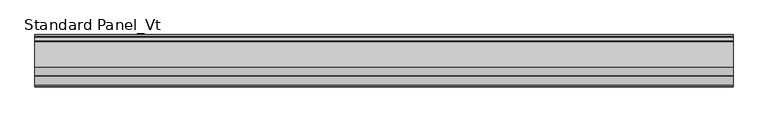
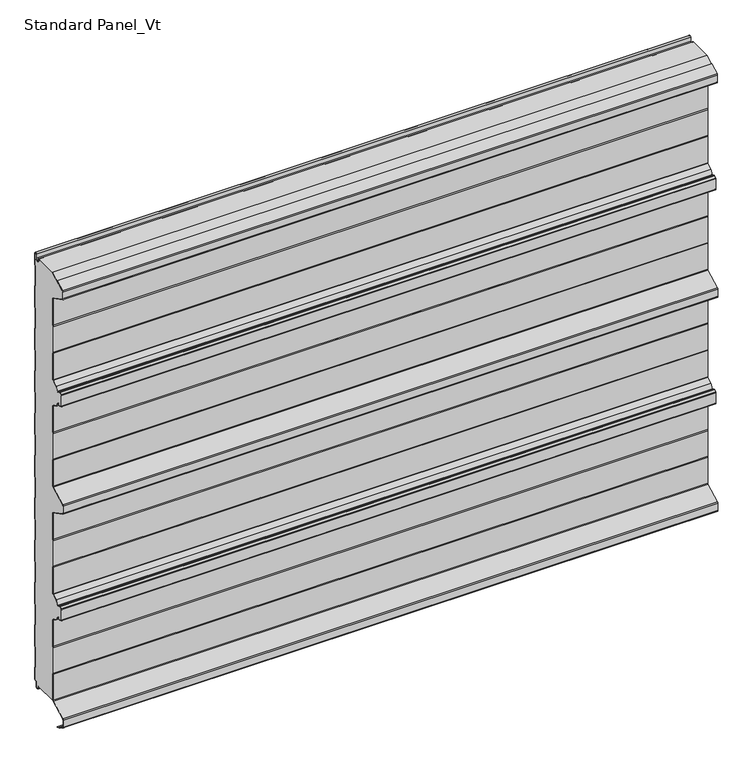
"""IFC4 building model written with IfcOpenShell, lengths in millimetres: proxy geometry, Standard Panel_Vt."""

from ifc_helpers import new_model, si_unit, point, frame, frame_2d, origin, place, context, project, spatial, polyline, circle_curve, trimmed, segment, composite_curve, outline, extrude, source, transform, mapped, element, save


def standard_panel_vt_ad993d2c(model_context):
    return source(origin(), model_context, "Body", "SweptSolid", [
        extrude(outline(composite_curve([segment(polyline([(-69.2, 32.543601), (-69.2, 93.8381725), (-70.1683897, 96.2198058), (-70.1683897, 156.0111465), (-69.2, 158.3927799), (-69.2, 220.5320467)]), True, "CONTINUOUS"), segment(trimmed(circle_curve(frame_2d((-70.9999978, 220.5292608)), 1.8), [point((-69.2, 220.5320467))], [point((-70.1549332, 222.118558))], True, "CARTESIAN"), True, "CONTINUOUS"), segment(polyline([(-70.1549332, 222.118558), (-81.6730163, 228.2429789), (-87.3606338, 237.2263708)]), True, "CONTINUOUS"), segment(trimmed(circle_curve(frame_2d((-88.8814507, 236.2635023)), 1.8), [point((-87.3606338, 237.2263708))], [point((-89.6883253, 237.8725248))], True, "CARTESIAN"), True, "CONTINUOUS"), segment(polyline([(-89.6883253, 237.8725248), (-94.8672514, 235.275455), (-100.4669529, 238.2529407), (-100.4669529, 263.7469089), (-94.8564238, 266.730009), (-89.6882431, 264.1381991)]), True, "CONTINUOUS"), segment(trimmed(circle_curve(frame_2d((-88.8813366, 265.7472056)), 1.8), [point((-89.6882431, 264.1381991))], [point((-87.3605387, 264.7843069))], True, "CARTESIAN"), True, "CONTINUOUS"), segment(polyline([(-87.3605387, 264.7843069), (-81.6832892, 273.7509288), (-70.1548264, 279.880575)]), True, "CONTINUOUS"), segment(trimmed(circle_curve(frame_2d((-70.9997352, 281.4696552)), 1.7997352), [point((-70.1548264, 279.880575))], [point((-69.2, 281.4696552))], True, "CARTESIAN"), True, "CONTINUOUS"), segment(polyline([(-69.2, 281.4696552), (-69.2, 343.6072197), (-70.1683897, 345.9888602), (-70.1683897, 405.780201), (-69.2, 408.1618409), (-69.2, 469.4564123)]), True, "CONTINUOUS"), segment(trimmed(circle_curve(frame_2d((-71.75, 469.4564123)), 2.55), [point((-69.2, 469.4564123))], [point((-70.5528475, 471.7079287))], True, "CARTESIAN"), True, "CONTINUOUS"), segment(polyline([(-70.5528475, 471.7079287), (-106.4808064, 490.8111633)]), True, "CONTINUOUS"), segment(trimmed(circle_curve(frame_2d((-105.5183897, 492.6212058)), 2.05), [point((-106.4808064, 490.8111633))], [point((-107.5683897, 492.6212058))], False, "CARTESIAN"), True, "CONTINUOUS"), segment(polyline([(-107.5683897, 492.6212058), (-107.5683897, 509.3787942)]), True, "CONTINUOUS"), segment(trimmed(circle_curve(frame_2d((-105.5183897, 509.3787942)), 2.05), [point((-107.5683897, 509.3787942))], [point((-106.4808064, 511.1888367))], False, "CARTESIAN"), True, "CONTINUOUS"), segment(polyline([(-106.4808064, 511.1888367), (-70.5528475, 530.2920713)]), True, "CONTINUOUS"), segment(trimmed(circle_curve(frame_2d((-71.75, 532.5435877)), 2.55), [point((-70.5528475, 530.2920713))], [point((-69.2, 532.5435877))], True, "CARTESIAN"), True, "CONTINUOUS"), segment(polyline([(-69.2, 532.5435877), (-69.2, 594.3381591), (-70.1683897, 596.719799), (-70.1683897, 656.5111398), (-69.2, 658.8927797), (-69.2, 720.3455631)]), True, "CONTINUOUS"), segment(trimmed(circle_curve(frame_2d((-70.9904904, 720.5303448)), 1.8), [point((-69.2, 720.3455631))], [point((-70.1454573, 722.1196588))], True, "CARTESIAN"), True, "CONTINUOUS"), segment(polyline([(-70.1454573, 722.1196588), (-81.6734802, 728.2490711), (-87.3507298, 737.2156932)]), True, "CONTINUOUS"), segment(trimmed(circle_curve(frame_2d((-88.8715276, 736.2527945)), 1.8), [point((-87.3507298, 737.2156932))], [point((-89.6784342, 737.861801))], True, "CARTESIAN"), True, "CONTINUOUS"), segment(polyline([(-89.6784342, 737.861801), (-94.8466132, 735.269992), (-100.4573069, 738.2530732), (-100.4573069, 763.7469201), (-94.8574433, 766.7245456), (-89.6785164, 764.1274753)]), True, "CONTINUOUS"), segment(trimmed(circle_curve(frame_2d((-88.8716418, 765.7364978)), 1.8), [point((-89.6785164, 764.1274753))], [point((-87.3508249, 764.7736293))], True, "CARTESIAN"), True, "CONTINUOUS"), segment(polyline([(-87.3508249, 764.7736293), (-81.6632074, 773.7570212), (-70.1451242, 779.8814421)]), True, "CONTINUOUS"), segment(trimmed(circle_curve(frame_2d((-70.9901889, 781.4707393)), 1.8), [point((-70.1451242, 779.8814421))], [point((-69.2, 781.6584189))], True, "CARTESIAN"), True, "CONTINUOUS"), segment(polyline([(-69.2, 781.6584189), (-69.2, 843.5389374), (-70.1683897, 846.5544463), (-70.1683897, 906.3542239), (-69.2, 909.3076807), (-69.2, 970.7065818)]), True, "CONTINUOUS"), segment(trimmed(circle_curve(frame_2d((-71.7198823, 970.7065818)), 2.5198823), [point((-69.2, 970.7065818))], [point((-70.5090325, 972.91648))], True, "CARTESIAN"), True, "CONTINUOUS"), segment(polyline([(-70.5090325, 972.91648), (-105.4813607, 991.4349523)]), True, "CONTINUOUS"), segment(trimmed(circle_curve(frame_2d((-104.5183897, 993.2447)), 2.05), [point((-105.4813607, 991.4349523))], [point((-106.5683897, 993.2447))], False, "CARTESIAN"), True, "CONTINUOUS"), segment(polyline([(-106.5683897, 993.2447), (-106.5683897, 1008.7553)]), True, "CONTINUOUS"), segment(trimmed(circle_curve(frame_2d((-104.5183897, 1008.7553)), 2.05), [point((-106.5683897, 1008.7553))], [point((-105.4808064, 1010.5653426))], False, "CARTESIAN"), True, "CONTINUOUS"), segment(polyline([(-105.4808064, 1010.5653426), (-66.7559646, 1031.1557062), (-15.3551162, 1031.1557063)]), True, "CONTINUOUS"), segment(trimmed(circle_curve(frame_2d((-15.3274964, 1029.5059375)), 1.65), [point((-15.3551162, 1031.1557063))], [point((-16.9611095, 1029.7379036))], True, "CARTESIAN"), True, "CONTINUOUS"), segment(polyline([(-16.9611095, 1029.7379036), (-17.660313, 1024.8137877), (-16.8682582, 1024.7013192), (-16.1690547, 1029.6254352)]), True, "CONTINUOUS"), segment(trimmed(circle_curve(frame_2d((-15.3274964, 1029.5059375)), 0.85), [point((-16.1690547, 1029.6254352))], [point((-14.4904098, 1029.6535385))], False, "CARTESIAN"), True, "CONTINUOUS"), segment(polyline([(-14.4904098, 1029.6535385), (-13.7278368, 1025.3287722)]), True, "CONTINUOUS"), segment(trimmed(circle_curve(frame_2d((-9.05, 1026.153601)), 4.75), [point((-13.7278368, 1025.3287722))], [point((-4.3, 1026.153601))], True, "CARTESIAN"), True, "CONTINUOUS"), segment(polyline([(-4.3, 1026.153601), (-4.3, 1035.653601)]), True, "CONTINUOUS"), segment(trimmed(circle_curve(frame_2d((-2.55, 1035.653601)), 1.75), [point((-4.3, 1035.653601))], [point((-0.8, 1035.653601))], False, "CARTESIAN"), True, "CONTINUOUS"), segment(polyline([(-0.8, 1035.653601), (-0.8, 1008.0956151), (-1.8, 1006.3635643), (-1.8, 959.8989472), (-0.8, 958.1668964), (-0.8, 909.0956151), (-1.8, 907.3635643), (-1.8, 860.8989472), (-0.8, 859.1668964), (-0.8, 810.0956151), (-1.8, 808.3635643), (-1.8, 761.8989472), (-0.8, 760.1668964), (-0.8, 711.0974098), (-1.8, 709.3229083), (-1.8, 662.8989472), (-0.8, 661.1668964), (-0.8, 612.0956151), (-1.8, 610.3635643), (-1.8, 563.8989472), (-0.8, 562.1668964), (-0.8, 513.0956151), (-1.8, 511.3635643), (-1.8, 464.8989472), (-0.8, 463.1668964), (-0.8, 414.0974098), (-1.8, 412.3229083), (-1.8, 365.8989472), (-0.8, 364.1668964), (-0.8, 315.0974098), (-1.8, 313.3229083), (-1.8, 266.8989472), (-0.8, 265.1668964), (-0.8, 216.0956151), (-1.8, 214.3635643), (-1.8, 167.8989472), (-0.786297, 166.1668964), (-0.786297, 117.0974098), (-1.786297, 115.3229083), (-1.786297, 68.8989472), (-0.786297, 67.1668964), (-0.786297, 40.153601)]), True, "CONTINUOUS"), segment(trimmed(circle_curve(frame_2d((-2.036297, 40.153601)), 1.25), [point((-0.786297, 40.153601))], [point((-2.036297, 38.903601))], False, "CARTESIAN"), True, "CONTINUOUS"), segment(polyline([(-2.036297, 38.903601), (-3.436297, 38.903601)]), True, "CONTINUOUS"), segment(trimmed(circle_curve(frame_2d((-3.436297, 36.153601)), 2.75), [point((-3.436297, 38.903601))], [point((-6.186297, 36.153601))], True, "CARTESIAN"), True, "CONTINUOUS"), segment(polyline([(-6.186297, 36.153601), (-6.186297, 26.353601)]), True, "CONTINUOUS"), segment(trimmed(circle_curve(frame_2d((-9.036297, 26.353601)), 2.85), [point((-6.186297, 26.353601))], [point((-11.8132517, 25.7124905))], False, "CARTESIAN"), True, "CONTINUOUS"), segment(polyline([(-11.8132517, 25.7124905), (-13.0699171, 31.1557062), (-69.6107833, 31.1557062)]), True, "CONTINUOUS"), segment(trimmed(circle_curve(frame_2d((-71.75, 32.543601)), 2.55), [point((-69.6107833, 31.1557062))], [point((-69.2, 32.543601))], True, "CARTESIAN"), True, "CONTINUOUS")], self_intersect=False)), frame((-723.9042608, 0.0, 0.0), z_axis=(1.0, 0.0, 0.0), x_axis=(0.0, 1.0, 0.0)), (0.0, 0.0, 1.0), 1447.8085217),
        extrude(outline(composite_curve([segment(polyline([(-70.0, 32.543601), (-70.0, 93.6817477), (-70.9683897, 96.0633811), (-70.9683897, 156.1675713), (-70.0, 158.5492046), (-70.0, 220.5313373)]), True, "CONTINUOUS"), segment(trimmed(circle_curve(frame_2d((-70.9999978, 220.5292608)), 1.0), [point((-70.0, 220.5313373))], [point((-70.5305175, 221.4122037))], True, "CARTESIAN"), True, "CONTINUOUS"), segment(polyline([(-70.5305175, 221.4122037), (-82.2356263, 227.6360703), (-88.0365524, 236.7984293)]), True, "CONTINUOUS"), segment(trimmed(circle_curve(frame_2d((-88.8814507, 236.2635023)), 1.0), [point((-88.0365524, 236.7984293))], [point((-89.3297144, 237.1574037))], True, "CARTESIAN"), True, "CONTINUOUS"), segment(polyline([(-89.3297144, 237.1574037), (-94.4163001, 234.6066397)]), True, "CONTINUOUS"), segment(trimmed(circle_curve(frame_2d((-94.8645637, 235.5005411)), 1.0), [point((-94.4163001, 234.6066397))], [point((-95.3340441, 234.6175982))], False, "CARTESIAN"), True, "CONTINUOUS"), segment(polyline([(-95.3340441, 234.6175982), (-100.4714183, 237.3492543)]), True, "CONTINUOUS"), segment(trimmed(circle_curve(frame_2d((-99.7671978, 238.6736686)), 1.5), [point((-100.4714183, 237.3492543))], [point((-101.2669529, 238.7007726))], False, "CARTESIAN"), True, "CONTINUOUS"), segment(polyline([(-101.2669529, 238.7007726), (-101.2669529, 263.3263018)]), True, "CONTINUOUS"), segment(trimmed(circle_curve(frame_2d((-99.7669529, 263.3263018)), 1.5), [point((-101.2669529, 263.3263018))], [point((-100.4711471, 264.6507302))], False, "CARTESIAN"), True, "CONTINUOUS"), segment(polyline([(-100.4711471, 264.6507302), (-95.3232034, 267.3878751)]), True, "CONTINUOUS"), segment(trimmed(circle_curve(frame_2d((-94.8537406, 266.5049228)), 1.0), [point((-95.3232034, 267.3878751))], [point((-94.4054592, 267.3988153))], False, "CARTESIAN"), True, "CONTINUOUS"), segment(polyline([(-94.4054592, 267.3988153), (-89.329618, 264.8533131)]), True, "CONTINUOUS"), segment(trimmed(circle_curve(frame_2d((-88.8813366, 265.7472056)), 1.0), [point((-89.329618, 264.8533131))], [point((-88.0364489, 265.2122618))], True, "CARTESIAN"), True, "CONTINUOUS"), segment(polyline([(-88.0364489, 265.2122618), (-82.2458871, 274.3578486), (-70.5303966, 280.5869367)]), True, "CONTINUOUS"), segment(trimmed(circle_curve(frame_2d((-70.9997352, 281.4696552)), 0.9997353), [point((-70.5303966, 280.5869367))], [point((-69.9999999, 281.4696552))], True, "CARTESIAN"), True, "CONTINUOUS"), segment(polyline([(-69.9999999, 281.4696552), (-69.9999999, 343.4507954), (-70.9683897, 345.8324358), (-70.9683897, 405.9366254), (-70.0, 408.3182652), (-70.0, 469.4564123)]), True, "CONTINUOUS"), segment(trimmed(circle_curve(frame_2d((-71.75, 469.4564123)), 1.75), [point((-70.0, 469.4564123))], [point((-70.9284248, 471.0015706))], True, "CARTESIAN"), True, "CONTINUOUS"), segment(polyline([(-70.9284248, 471.0015706), (-106.8563836, 490.1048052)]), True, "CONTINUOUS"), segment(trimmed(circle_curve(frame_2d((-105.5183897, 492.6212058)), 2.85), [point((-106.8563836, 490.1048052))], [point((-108.3683897, 492.6212058))], False, "CARTESIAN"), True, "CONTINUOUS"), segment(polyline([(-108.3683897, 492.6212058), (-108.3683897, 509.3787942)]), True, "CONTINUOUS"), segment(trimmed(circle_curve(frame_2d((-105.5183897, 509.3787942)), 2.85), [point((-108.3683897, 509.3787942))], [point((-106.8563836, 511.8951948))], False, "CARTESIAN"), True, "CONTINUOUS"), segment(polyline([(-106.8563836, 511.8951948), (-70.9284248, 530.9984294)]), True, "CONTINUOUS"), segment(trimmed(circle_curve(frame_2d((-71.75, 532.5435877)), 1.75), [point((-70.9284248, 530.9984294))], [point((-70.0, 532.5435877))], True, "CARTESIAN"), True, "CONTINUOUS"), segment(polyline([(-70.0, 532.5435877), (-70.0, 593.6817348), (-70.9683897, 596.0633746), (-70.9683897, 656.1675642), (-70.0, 658.549204), (-70.0, 720.3927626)]), True, "CONTINUOUS"), segment(trimmed(circle_curve(frame_2d((-70.9904904, 720.5303448)), 1.0), [point((-70.0, 720.3927626))], [point((-70.5210275, 721.413297))], True, "CARTESIAN"), True, "CONTINUOUS"), segment(polyline([(-70.5210275, 721.413297), (-82.2360781, 727.6421513), (-88.0266399, 736.7877383)]), True, "CONTINUOUS"), segment(trimmed(circle_curve(frame_2d((-88.8715276, 736.2527945)), 1.0), [point((-88.0266399, 736.7877383))], [point((-89.319809, 737.146687))], True, "CARTESIAN"), True, "CONTINUOUS"), segment(polyline([(-89.319809, 737.146687), (-94.3956503, 734.6011848)]), True, "CONTINUOUS"), segment(trimmed(circle_curve(frame_2d((-94.8439317, 735.4950773)), 1.0), [point((-94.3956503, 734.6011848))], [point((-95.3133815, 734.6121181))], False, "CARTESIAN"), True, "CONTINUOUS"), segment(polyline([(-95.3133815, 734.6121181), (-100.4614397, 737.3492264)]), True, "CONTINUOUS"), segment(trimmed(circle_curve(frame_2d((-99.7572281, 738.6737347)), 1.5000788), [point((-100.4614397, 737.3492264))], [point((-101.2573069, 738.6737347))], False, "CARTESIAN"), True, "CONTINUOUS"), segment(polyline([(-101.2573069, 738.6737347), (-101.2573069, 763.3263498)]), True, "CONTINUOUS"), segment(trimmed(circle_curve(frame_2d((-99.7573465, 763.3263498)), 1.4999604), [point((-101.2573069, 763.3263498))], [point((-100.4615583, 764.6507239))], False, "CARTESIAN"), True, "CONTINUOUS"), segment(polyline([(-100.4615583, 764.6507239), (-95.3242418, 767.3823984)]), True, "CONTINUOUS"), segment(trimmed(circle_curve(frame_2d((-94.8547548, 766.499459)), 1.0), [point((-95.3242418, 767.3823984))], [point((-94.4064911, 767.3933604))], False, "CARTESIAN"), True, "CONTINUOUS"), segment(polyline([(-94.4064911, 767.3933604), (-89.3199055, 764.8425964)]), True, "CONTINUOUS"), segment(trimmed(circle_curve(frame_2d((-88.8716418, 765.7364978)), 1.0), [point((-89.3199055, 764.8425964))], [point((-88.0267435, 765.2015709))], True, "CARTESIAN"), True, "CONTINUOUS"), segment(polyline([(-88.0267435, 765.2015709), (-82.2258174, 774.3639298), (-70.5207085, 780.5877964)]), True, "CONTINUOUS"), segment(trimmed(circle_curve(frame_2d((-70.9901889, 781.4707393)), 1.0), [point((-70.5207085, 780.5877964))], [point((-70.0, 781.6104744))], True, "CARTESIAN"), True, "CONTINUOUS"), segment(polyline([(-70.0, 781.6104744), (-70.0, 843.3152015), (-70.9683897, 846.3307104), (-70.9683897, 906.4820299), (-70.0, 909.4354867), (-70.0, 970.7065818)]), True, "CONTINUOUS"), segment(trimmed(circle_curve(frame_2d((-71.7198823, 970.7065818)), 1.7198823), [point((-70.0, 970.7065818))], [point((-70.8889236, 972.2124048))], True, "CARTESIAN"), True, "CONTINUOUS"), segment(polyline([(-70.8889236, 972.2124048), (-105.8563836, 990.7282994)]), True, "CONTINUOUS"), segment(trimmed(circle_curve(frame_2d((-104.5183897, 993.2447)), 2.85), [point((-105.8563836, 990.7282994))], [point((-107.3683897, 993.2447))], False, "CARTESIAN"), True, "CONTINUOUS"), segment(polyline([(-107.3683897, 993.2447), (-107.3683897, 1008.7553)]), True, "CONTINUOUS"), segment(trimmed(circle_curve(frame_2d((-104.5183897, 1008.7553)), 2.85), [point((-107.3683897, 1008.7553))], [point((-105.8563836, 1011.2717006))], False, "CARTESIAN"), True, "CONTINUOUS"), segment(polyline([(-105.8563836, 1011.2717006), (-85.2289619, 1022.2394953), (-84.8533847, 1021.5331372), (-105.4808064, 1010.5653426)]), True, "CONTINUOUS"), segment(trimmed(circle_curve(frame_2d((-104.5183897, 1008.7553)), 2.05), [point((-105.4808064, 1010.5653426))], [point((-106.5683897, 1008.7553))], True, "CARTESIAN"), True, "CONTINUOUS"), segment(polyline([(-106.5683897, 1008.7553), (-106.5683897, 993.2447)]), True, "CONTINUOUS"), segment(trimmed(circle_curve(frame_2d((-104.5183897, 993.2447)), 2.05), [point((-106.5683897, 993.2447))], [point((-105.4813607, 991.4349523))], True, "CARTESIAN"), True, "CONTINUOUS"), segment(polyline([(-105.4813607, 991.4349523), (-70.5090325, 972.91648)]), True, "CONTINUOUS"), segment(trimmed(circle_curve(frame_2d((-71.7198823, 970.7065818)), 2.5198823), [point((-70.5090325, 972.91648))], [point((-69.2, 970.7065818))], False, "CARTESIAN"), True, "CONTINUOUS"), segment(polyline([(-69.2, 970.7065818), (-69.2, 909.3076807), (-70.1683897, 906.3542239), (-70.1683897, 846.4560136), (-69.2, 843.4405047), (-69.2, 781.6584189)]), True, "CONTINUOUS"), segment(trimmed(circle_curve(frame_2d((-70.9901889, 781.4707393)), 1.8), [point((-69.2, 781.6584189))], [point((-70.1451242, 779.8814421))], False, "CARTESIAN"), True, "CONTINUOUS"), segment(polyline([(-70.1451242, 779.8814421), (-81.6632074, 773.7570212), (-87.3508249, 764.7736293)]), True, "CONTINUOUS"), segment(trimmed(circle_curve(frame_2d((-88.8716418, 765.7364978)), 1.8), [point((-87.3508249, 764.7736293))], [point((-89.6785164, 764.1274753))], False, "CARTESIAN"), True, "CONTINUOUS"), segment(polyline([(-89.6785164, 764.1274753), (-94.8574433, 766.7245456), (-100.4573069, 763.7469201), (-100.4573069, 738.2530732), (-94.8466132, 735.269992), (-89.6784342, 737.861801)]), True, "CONTINUOUS"), segment(trimmed(circle_curve(frame_2d((-88.8715276, 736.2527945)), 1.8), [point((-89.6784342, 737.861801))], [point((-87.3507298, 737.2156932))], False, "CARTESIAN"), True, "CONTINUOUS"), segment(polyline([(-87.3507298, 737.2156932), (-81.6734802, 728.2490711), (-70.1454573, 722.1196588)]), True, "CONTINUOUS"), segment(trimmed(circle_curve(frame_2d((-70.9904904, 720.5303448)), 1.8), [point((-70.1454573, 722.1196588))], [point((-69.2, 720.3455631))], False, "CARTESIAN"), True, "CONTINUOUS"), segment(polyline([(-69.2, 720.3455631), (-69.2, 658.3927797), (-70.1683897, 656.0111398), (-70.1683897, 596.219799), (-69.2, 593.8381591), (-69.2, 532.5435877)]), True, "CONTINUOUS"), segment(trimmed(circle_curve(frame_2d((-71.75, 532.5435877)), 2.55), [point((-69.2, 532.5435877))], [point((-70.5528475, 530.2920713))], False, "CARTESIAN"), True, "CONTINUOUS"), segment(polyline([(-70.5528475, 530.2920713), (-106.4808064, 511.1888367)]), True, "CONTINUOUS"), segment(trimmed(circle_curve(frame_2d((-105.5183897, 509.3787942)), 2.05), [point((-106.4808064, 511.1888367))], [point((-107.5683897, 509.3787942))], True, "CARTESIAN"), True, "CONTINUOUS"), segment(polyline([(-107.5683897, 509.3787942), (-107.5683897, 492.6212058)]), True, "CONTINUOUS"), segment(trimmed(circle_curve(frame_2d((-105.5183897, 492.6212058)), 2.05), [point((-107.5683897, 492.6212058))], [point((-106.4808064, 490.8111633))], True, "CARTESIAN"), True, "CONTINUOUS"), segment(polyline([(-106.4808064, 490.8111633), (-70.5528475, 471.7079287)]), True, "CONTINUOUS"), segment(trimmed(circle_curve(frame_2d((-71.75, 469.4564123)), 2.55), [point((-70.5528475, 471.7079287))], [point((-69.2, 469.4564123))], False, "CARTESIAN"), True, "CONTINUOUS"), segment(polyline([(-69.2, 469.4564123), (-69.2, 408.1618409), (-70.1683897, 405.780201), (-70.1683897, 345.9888602), (-69.2, 343.6072197), (-69.2, 281.4696552)]), True, "CONTINUOUS"), segment(trimmed(circle_curve(frame_2d((-70.9997352, 281.4696552)), 1.7997352), [point((-69.2, 281.4696552))], [point((-70.1548264, 279.880575))], False, "CARTESIAN"), True, "CONTINUOUS"), segment(polyline([(-70.1548264, 279.880575), (-81.6832892, 273.7509288), (-87.3605387, 264.7843069)]), True, "CONTINUOUS"), segment(trimmed(circle_curve(frame_2d((-88.8813366, 265.7472056)), 1.8), [point((-87.3605387, 264.7843069))], [point((-89.6882431, 264.1381991))], False, "CARTESIAN"), True, "CONTINUOUS"), segment(polyline([(-89.6882431, 264.1381991), (-94.8564238, 266.730009), (-100.4669529, 263.7469089), (-100.4669529, 238.2529407), (-94.8672514, 235.275455), (-89.6883253, 237.8725248)]), True, "CONTINUOUS"), segment(trimmed(circle_curve(frame_2d((-88.8814507, 236.2635023)), 1.8), [point((-89.6883253, 237.8725248))], [point((-87.3606338, 237.2263708))], False, "CARTESIAN"), True, "CONTINUOUS"), segment(polyline([(-87.3606338, 237.2263708), (-81.6730163, 228.2429789), (-70.1549332, 222.118558)]), True, "CONTINUOUS"), segment(trimmed(circle_curve(frame_2d((-70.9999978, 220.5292608)), 1.8), [point((-70.1549332, 222.118558))], [point((-69.2, 220.5320467))], False, "CARTESIAN"), True, "CONTINUOUS"), segment(polyline([(-69.2, 220.5320467), (-69.2, 158.3927799), (-70.1683897, 156.0111465), (-70.1683897, 96.2198058), (-69.2, 93.8381725), (-69.2, 32.543601)]), True, "CONTINUOUS"), segment(trimmed(circle_curve(frame_2d((-71.75, 32.543601)), 2.55), [point((-69.2, 32.543601))], [point((-70.5528475, 30.2920847))], False, "CARTESIAN"), True, "CONTINUOUS"), segment(polyline([(-70.5528475, 30.2920847), (-106.4808064, 11.1888501)]), True, "CONTINUOUS"), segment(trimmed(circle_curve(frame_2d((-105.5183897, 9.3788075)), 2.05), [point((-106.4808064, 11.1888501))], [point((-107.5683897, 9.3788075))], True, "CARTESIAN"), True, "CONTINUOUS"), segment(polyline([(-107.5683897, 9.3788075), (-107.5683897, -7.362)]), True, "CONTINUOUS"), segment(trimmed(circle_curve(frame_2d((-105.5183897, -7.362)), 2.05), [point((-107.5683897, -7.362))], [point((-106.4808064, -9.1720426))], True, "CARTESIAN"), True, "CONTINUOUS"), segment(polyline([(-106.4808064, -9.1720426), (-97.1800551, -14.1173397), (-94.9723908, -16.438449), (-91.7360251, -17.0119818), (-85.8533964, -20.139831), (-86.2289737, -20.846189), (-92.000038, -17.7776597), (-95.3708693, -17.1802976), (-97.6702585, -14.76275), (-106.8563836, -9.8784006)]), True, "CONTINUOUS"), segment(trimmed(circle_curve(frame_2d((-105.5183897, -7.362)), 2.85), [point((-106.8563836, -9.8784006))], [point((-108.3683897, -7.362))], False, "CARTESIAN"), True, "CONTINUOUS"), segment(polyline([(-108.3683897, -7.362), (-108.3683897, 9.3788075)]), True, "CONTINUOUS"), segment(trimmed(circle_curve(frame_2d((-105.5183897, 9.3788075)), 2.85), [point((-108.3683897, 9.3788075))], [point((-106.8563836, 11.8952082))], False, "CARTESIAN"), True, "CONTINUOUS"), segment(polyline([(-106.8563836, 11.8952082), (-70.9284248, 30.9984427)]), True, "CONTINUOUS"), segment(trimmed(circle_curve(frame_2d((-71.75, 32.543601)), 1.75), [point((-70.9284248, 30.9984427))], [point((-70.0, 32.543601))], True, "CARTESIAN"), True, "CONTINUOUS")], self_intersect=False)), frame((-723.9042608, 0.0, 0.0), z_axis=(1.0, 0.0, 0.0), x_axis=(0.0, 1.0, 0.0)), (0.0, 0.0, 1.0), 1447.8085217),
        extrude(outline(composite_curve([segment(polyline([(0.0, 1035.653601), (0.0, 1007.8812557), (-1.0, 1006.1492049), (-1.0, 960.1133065), (0.0, 958.3812557), (0.0, 908.8812557), (-1.0, 907.1492049), (-1.0, 861.1133065), (0.0, 859.3812557), (0.0, 809.8812557), (-1.0, 808.1492049), (-1.0, 762.1133065), (0.0, 760.3812557), (0.0, 710.8875118), (-1.0, 709.1130103), (-1.0, 663.1133065), (0.0, 661.3812557), (0.0, 611.8812557), (-1.0, 610.1492049), (-1.0, 564.1133065), (0.0, 562.3812557), (0.0, 512.8812557), (-1.0, 511.1492049), (-1.0, 465.1133065), (0.0, 463.3812557), (0.0, 413.8875118), (-1.0, 412.1130103), (-1.0, 366.1133065), (0.0, 364.3812557), (0.0, 314.8875118), (-1.0, 313.1130103), (-1.0, 267.1133065), (0.0, 265.3812557), (0.0, 215.8812557), (-1.0, 214.1492049), (-1.0, 168.1133065), (0.013703, 166.3812557), (0.013703, 116.8875118), (-0.986297, 115.1130103), (-0.986297, 69.1133065), (0.013703, 67.3812557), (0.013703, 40.153601)]), True, "CONTINUOUS"), segment(trimmed(circle_curve(frame_2d((-2.036297, 40.153601)), 2.05), [point((0.013703, 40.153601))], [point((-2.036297, 38.103601))], False, "CARTESIAN"), True, "CONTINUOUS"), segment(polyline([(-2.036297, 38.103601), (-3.436297, 38.103601)]), True, "CONTINUOUS"), segment(trimmed(circle_curve(frame_2d((-3.436297, 36.153601)), 1.95), [point((-3.436297, 38.103601))], [point((-5.386297, 36.153601))], True, "CARTESIAN"), True, "CONTINUOUS"), segment(polyline([(-5.386297, 36.153601), (-5.386297, 26.353601)]), True, "CONTINUOUS"), segment(trimmed(circle_curve(frame_2d((-9.036297, 26.353601)), 3.65), [point((-5.386297, 26.353601))], [point((-12.5927478, 25.5325297))], False, "CARTESIAN"), True, "CONTINUOUS"), segment(polyline([(-12.5927478, 25.5325297), (-13.8494131, 30.9757453), (-13.0699171, 31.1557062), (-11.8132517, 25.7124905)]), True, "CONTINUOUS"), segment(trimmed(circle_curve(frame_2d((-9.036297, 26.353601)), 2.85), [point((-11.8132517, 25.7124905))], [point((-6.186297, 26.353601))], True, "CARTESIAN"), True, "CONTINUOUS"), segment(polyline([(-6.186297, 26.353601), (-6.186297, 36.153601)]), True, "CONTINUOUS"), segment(trimmed(circle_curve(frame_2d((-3.436297, 36.153601)), 2.75), [point((-6.186297, 36.153601))], [point((-3.436297, 38.903601))], False, "CARTESIAN"), True, "CONTINUOUS"), segment(polyline([(-3.436297, 38.903601), (-2.036297, 38.903601)]), True, "CONTINUOUS"), segment(trimmed(circle_curve(frame_2d((-2.036297, 40.153601)), 1.25), [point((-2.036297, 38.903601))], [point((-0.786297, 40.153601))], True, "CARTESIAN"), True, "CONTINUOUS"), segment(polyline([(-0.786297, 40.153601), (-0.786297, 67.1668964), (-1.786297, 68.8989472), (-1.786297, 115.3229083), (-0.786297, 117.0974098), (-0.786297, 166.1668964), (-1.8, 167.8989472), (-1.8, 214.3635643), (-0.8, 216.0956151), (-0.8, 265.1668964), (-1.8, 266.8989472), (-1.8, 313.3229083), (-0.8, 315.0974098), (-0.8, 364.1668964), (-1.8, 365.8989472), (-1.8, 412.3229083), (-0.8, 414.0974098), (-0.8, 463.1668964), (-1.8, 464.8989472), (-1.8, 511.3635643), (-0.8, 513.0956151), (-0.8, 562.1668964), (-1.8, 563.8989472), (-1.8, 610.3635643), (-0.8, 612.0956151), (-0.8, 661.1668964), (-1.8, 662.8989472), (-1.8, 709.3229083), (-0.8, 711.0974098), (-0.8, 760.1668964), (-1.8, 761.8989472), (-1.8, 808.3635643), (-0.8, 810.0956151), (-0.8, 859.1668964), (-1.8, 860.8989472), (-1.8, 907.3635643), (-0.8, 909.0956151), (-0.8, 958.1668964), (-1.8, 959.8989472), (-1.8, 1006.3635643), (-0.8, 1008.0956151), (-0.8, 1035.653601)]), True, "CONTINUOUS"), segment(trimmed(circle_curve(frame_2d((-2.55, 1035.653601)), 1.75), [point((-0.8, 1035.653601))], [point((-4.3, 1035.653601))], True, "CARTESIAN"), True, "CONTINUOUS"), segment(polyline([(-4.3, 1035.653601), (-4.3, 1026.153601)]), True, "CONTINUOUS"), segment(trimmed(circle_curve(frame_2d((-9.05, 1026.153601)), 4.75), [point((-4.3, 1026.153601))], [point((-13.7278368, 1025.3287722))], False, "CARTESIAN"), True, "CONTINUOUS"), segment(polyline([(-13.7278368, 1025.3287722), (-14.4904098, 1029.6535385)]), True, "CONTINUOUS"), segment(trimmed(circle_curve(frame_2d((-15.3274964, 1029.5059375)), 0.85), [point((-14.4904098, 1029.6535385))], [point((-16.1690547, 1029.6254352))], True, "CARTESIAN"), True, "CONTINUOUS"), segment(polyline([(-16.1690547, 1029.6254352), (-16.8682582, 1024.7013192), (-17.660313, 1024.8137877), (-16.9611095, 1029.7379036)]), True, "CONTINUOUS"), segment(trimmed(circle_curve(frame_2d((-15.3274964, 1029.5059375)), 1.65), [point((-16.9611095, 1029.7379036))], [point((-13.7025636, 1029.792457))], False, "CARTESIAN"), True, "CONTINUOUS"), segment(polyline([(-13.7025636, 1029.792457), (-12.9399906, 1025.4676907)]), True, "CONTINUOUS"), segment(trimmed(circle_curve(frame_2d((-9.05, 1026.153601)), 3.95), [point((-12.9399906, 1025.4676907))], [point((-5.1, 1026.153601))], True, "CARTESIAN"), True, "CONTINUOUS"), segment(polyline([(-5.1, 1026.153601), (-5.1, 1035.653601)]), True, "CONTINUOUS"), segment(trimmed(circle_curve(frame_2d((-2.55, 1035.653601)), 2.55), [point((-5.1, 1035.653601))], [point((0.0, 1035.653601))], False, "CARTESIAN"), True, "CONTINUOUS")], self_intersect=False)), frame((-723.9042608, 0.0, 0.0), z_axis=(1.0, 0.0, 0.0), x_axis=(0.0, 1.0, 0.0)), (0.0, 0.0, 1.0), 1447.8085217),
    ])


if __name__ == "__main__":
    model = new_model("IFC4")
    model_context = context("Model", 3, world=origin())
    ifc_project = project(units=[si_unit("LENGTHUNIT", "METRE", prefix="MILLI")], contexts=[model_context])
    site = spatial("IfcSite", under=ifc_project)
    building = spatial("IfcBuilding", under=site)
    placement = place(None, origin())
    standard_panel_vt_shape = standard_panel_vt_ad993d2c(model_context)
    element("IfcBuildingElementProxy", 1, Name="Standard Panel_Vt", ObjectType="Standard Panel_Vt", at=placement, inside=building, context=model_context, shape_type="MappedRepresentation", body=[
        mapped(standard_panel_vt_shape, transform((0.0, 0.0, 0.0), x_axis=(1.0, 0.0, 0.0), y_axis=(0.0, 1.0, 0.0), z_axis=(0.0, 0.0, 1.0))),
    ])
    save(model, "model.ifc")
